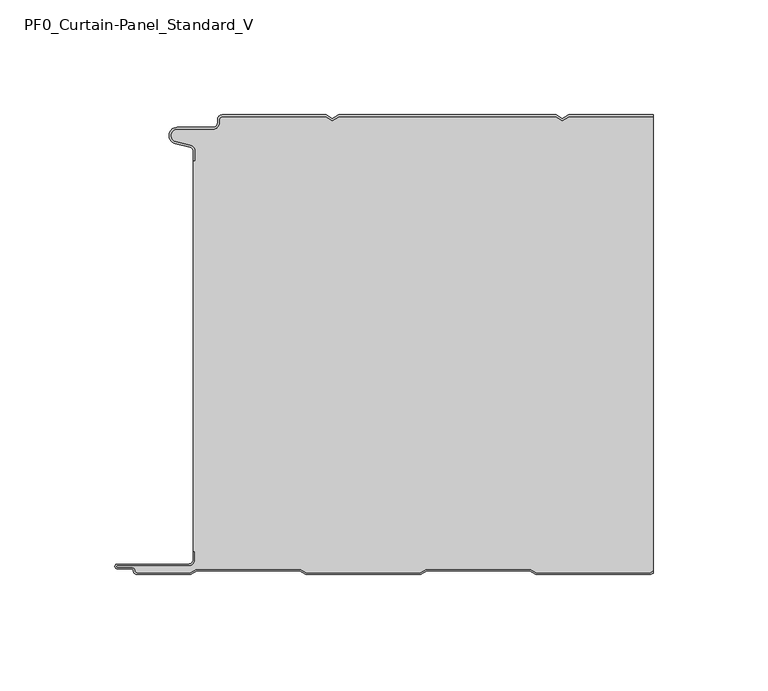
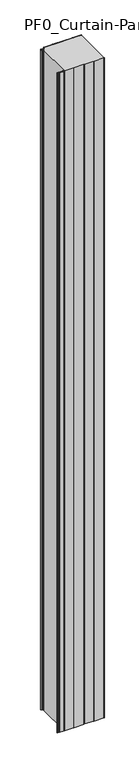
"""IFC4 building model written with IfcOpenShell, lengths in millimetres: plate geometry, PF0_Curtain-Panel_Standard_V."""

from ifc_helpers import new_model, si_unit, point, frame_2d, origin, origin_with_axes, place, context, project, spatial, polyline, circle_curve, trimmed, segment, composite_curve, outline, extrude, source, transform, mapped, element, save


def pf0_curtain_panel_standard_v_59ca3da9(model_context):
    return source(origin(), model_context, "Body", "SweptSolid", [
        extrude(outline(composite_curve([segment(trimmed(circle_curve(frame_2d((-102.0, -15.878557)), 2.0), [point((-100.0, -15.878557))], [point((-101.5500978, -13.9298169))], True, "CARTESIAN"), True, "CONTINUOUS"), segment(polyline([(-101.5500978, -13.9298169), (-107.7098239, -12.507732)]), True, "CONTINUOUS"), segment(trimmed(circle_curve(frame_2d((-106.9, -9.0)), 3.6), [point((-107.7098239, -12.507732))], [point((-106.9, -5.4))], False, "CARTESIAN"), True, "CONTINUOUS"), segment(polyline([(-106.9, -5.4), (-91.4, -5.4)]), True, "CONTINUOUS"), segment(trimmed(circle_curve(frame_2d((-91.4, -3.4)), 2.0), [point((-91.4, -5.4))], [point((-89.4, -3.4))], True, "CARTESIAN"), True, "CONTINUOUS"), segment(polyline([(-89.4, -3.4), (-89.4, -2.0)]), True, "CONTINUOUS"), segment(trimmed(circle_curve(frame_2d((-87.4, -2.0)), 2.0), [point((-89.4, -2.0))], [point((-87.4, 0.0))], False, "CARTESIAN"), True, "CONTINUOUS"), segment(polyline([(-87.4, 0.0), (-42.0999995, 0.0), (-39.4, -1.5588455), (-36.7000005, 0.0), (57.9000005, 0.0), (60.6, -1.5588455), (63.2999995, 0.0), (100.0, 0.0), (100.0, -0.8), (63.5143588, -0.8), (60.6, -2.482606), (57.6856412, -0.8), (-36.4856412, -0.8), (-39.4, -2.482606), (-42.3143588, -0.8), (-87.4, -0.8)]), True, "CONTINUOUS"), segment(trimmed(circle_curve(frame_2d((-87.4, -2.0)), 1.2), [point((-87.4, -0.8))], [point((-88.6, -2.0))], True, "CARTESIAN"), True, "CONTINUOUS"), segment(polyline([(-88.6, -2.0), (-88.6, -3.4)]), True, "CONTINUOUS"), segment(trimmed(circle_curve(frame_2d((-91.4, -3.4)), 2.8), [point((-88.6, -3.4))], [point((-91.4, -6.2))], False, "CARTESIAN"), True, "CONTINUOUS"), segment(polyline([(-91.4, -6.2), (-106.9, -6.2)]), True, "CONTINUOUS"), segment(trimmed(circle_curve(frame_2d((-106.9, -9.0)), 2.8), [point((-106.9, -6.2))], [point((-107.529863, -11.7282362))], True, "CARTESIAN"), True, "CONTINUOUS"), segment(polyline([(-107.529863, -11.7282362), (-101.370137, -13.150321)]), True, "CONTINUOUS"), segment(trimmed(circle_curve(frame_2d((-102.0, -15.878557)), 2.8), [point((-101.370137, -13.150321))], [point((-99.2, -15.878557))], False, "CARTESIAN"), True, "CONTINUOUS"), segment(polyline([(-99.2, -15.878557), (-99.2, -20.0), (-100.0, -20.0), (-100.0, -15.878557)]), True, "CONTINUOUS")], self_intersect=False)), origin_with_axes(), (0.0, 0.0, 1.0), 3500.0),
        extrude(outline(composite_curve([segment(polyline([(-99.2, -190.0), (-100.0, -190.0), (-100.0, -20.0), (-99.2, -20.0), (-99.2, -15.878557)]), True, "CONTINUOUS"), segment(trimmed(circle_curve(frame_2d((-102.0, -15.878557)), 2.8), [point((-99.2, -15.878557))], [point((-101.370137, -13.1503208))], True, "CARTESIAN"), True, "CONTINUOUS"), segment(polyline([(-101.370137, -13.1503208), (-107.529863, -11.7282362)]), True, "CONTINUOUS"), segment(trimmed(circle_curve(frame_2d((-106.9, -9.0)), 2.8), [point((-107.529863, -11.7282362))], [point((-106.9, -6.2))], False, "CARTESIAN"), True, "CONTINUOUS"), segment(polyline([(-106.9, -6.2), (-91.4, -6.2)]), True, "CONTINUOUS"), segment(trimmed(circle_curve(frame_2d((-91.4, -3.4)), 2.8), [point((-91.4, -6.2))], [point((-88.6, -3.4))], True, "CARTESIAN"), True, "CONTINUOUS"), segment(polyline([(-88.6, -3.4), (-88.6, -2.0)]), True, "CONTINUOUS"), segment(trimmed(circle_curve(frame_2d((-87.4, -2.0)), 1.2), [point((-88.6, -2.0))], [point((-87.4, -0.8))], False, "CARTESIAN"), True, "CONTINUOUS"), segment(polyline([(-87.4, -0.8), (-42.3143588, -0.8), (-39.4, -2.482606), (-36.4856412, -0.8), (57.6856412, -0.8), (60.6, -2.482606), (63.5143588, -0.8), (100.0, -0.8), (100.0, -198.5016287), (98.7903848, -199.2), (49.2152562, -199.2), (46.6171786, -197.7), (1.3884624, -197.7), (-1.2096152, -199.2), (-50.7847438, -199.2), (-53.3828214, -197.7), (-98.6115376, -197.7), (-101.2096152, -199.2), (-124.4, -199.2)]), True, "CONTINUOUS"), segment(trimmed(circle_curve(frame_2d((-124.4, -198.4)), 0.8), [point((-124.4, -199.2))], [point((-125.2, -198.4))], False, "CARTESIAN"), True, "CONTINUOUS"), segment(trimmed(circle_curve(frame_2d((-126.9, -198.6133333)), 1.7133333), [point((-125.2, -198.4))], [point((-126.9, -196.9))], True, "CARTESIAN"), True, "CONTINUOUS"), segment(polyline([(-126.9, -196.9), (-132.8700312, -196.9)]), True, "CONTINUOUS"), segment(trimmed(circle_curve(frame_2d((-132.8700312, -196.6)), 0.3), [point((-132.8700312, -196.9))], [point((-132.8700312, -196.3))], False, "CARTESIAN"), True, "CONTINUOUS"), segment(polyline([(-132.8700312, -196.3), (-102.0, -196.3)]), True, "CONTINUOUS"), segment(trimmed(circle_curve(frame_2d((-102.0, -193.5)), 2.8), [point((-102.0, -196.3))], [point((-99.2, -193.5))], True, "CARTESIAN"), True, "CONTINUOUS"), segment(polyline([(-99.2, -193.5), (-99.2, -190.0)]), True, "CONTINUOUS")], self_intersect=False)), origin_with_axes(), (0.0, 0.0, 1.0), 3500.0),
        extrude(outline(composite_curve([segment(polyline([(-100.0, -190.0), (-99.2, -190.0), (-99.2, -193.5)]), True, "CONTINUOUS"), segment(trimmed(circle_curve(frame_2d((-102.0, -193.5)), 2.8), [point((-99.2, -193.5))], [point((-102.0, -196.3))], False, "CARTESIAN"), True, "CONTINUOUS"), segment(polyline([(-102.0, -196.3), (-132.8700312, -196.3)]), True, "CONTINUOUS"), segment(trimmed(circle_curve(frame_2d((-132.8700312, -196.6)), 0.3), [point((-132.8700312, -196.3))], [point((-132.8700312, -196.9))], True, "CARTESIAN"), True, "CONTINUOUS"), segment(polyline([(-132.8700312, -196.9), (-126.9, -196.9)]), True, "CONTINUOUS"), segment(trimmed(circle_curve(frame_2d((-126.9, -198.6133333)), 1.7133333), [point((-126.9, -196.9))], [point((-125.2, -198.4))], False, "CARTESIAN"), True, "CONTINUOUS"), segment(trimmed(circle_curve(frame_2d((-124.4, -198.4)), 0.8), [point((-125.2, -198.4))], [point((-124.4, -199.2))], True, "CARTESIAN"), True, "CONTINUOUS"), segment(polyline([(-124.4, -199.2), (-101.2096152, -199.2), (-98.6115376, -197.7), (-53.3828214, -197.7), (-50.7847438, -199.2), (-1.2096152, -199.2), (1.3884624, -197.7), (46.6171786, -197.7), (49.2152562, -199.2), (98.7903848, -199.2), (100.0, -198.5016287), (100.0, -199.425389), (99.0047441, -200.0), (49.0008969, -200.0), (46.4028193, -198.5), (1.6028217, -198.5), (-0.9952559, -200.0), (-50.9991031, -200.0), (-53.5971807, -198.5), (-98.3971783, -198.5), (-100.9952559, -200.0), (-124.4, -200.0)]), True, "CONTINUOUS"), segment(trimmed(circle_curve(frame_2d((-124.4, -198.4)), 1.6), [point((-124.4, -200.0))], [point((-126.0, -198.4))], False, "CARTESIAN"), True, "CONTINUOUS"), segment(trimmed(circle_curve(frame_2d((-126.9, -198.4)), 0.9), [point((-126.0, -198.4))], [point((-126.9, -197.5))], True, "CARTESIAN"), True, "CONTINUOUS"), segment(polyline([(-126.9, -197.5), (-133.0, -197.5)]), True, "CONTINUOUS"), segment(trimmed(circle_curve(frame_2d((-133.0, -196.5)), 1.0), [point((-133.0, -197.5))], [point((-133.0, -195.5))], False, "CARTESIAN"), True, "CONTINUOUS"), segment(polyline([(-133.0, -195.5), (-102.0, -195.5)]), True, "CONTINUOUS"), segment(trimmed(circle_curve(frame_2d((-102.0, -193.5)), 2.0), [point((-102.0, -195.5))], [point((-100.0, -193.5))], True, "CARTESIAN"), True, "CONTINUOUS"), segment(polyline([(-100.0, -193.5), (-100.0, -190.0)]), True, "CONTINUOUS")], self_intersect=False)), origin_with_axes(), (0.0, 0.0, 1.0), 3500.0),
    ])


if __name__ == "__main__":
    model = new_model("IFC4")
    model_context = context("Model", 3, world=origin())
    ifc_project = project(units=[si_unit("LENGTHUNIT", "METRE", prefix="MILLI")], contexts=[model_context])
    site = spatial("IfcSite", under=ifc_project)
    building = spatial("IfcBuilding", under=site)
    placement = place(None, origin())
    pf0_curtain_panel_standard_v_shape = pf0_curtain_panel_standard_v_59ca3da9(model_context)
    element("IfcPlate", 1, ObjectType="PF0_Curtain-Panel_Standard_V", at=placement, inside=building, context=model_context, shape_type="MappedRepresentation", body=[
        mapped(pf0_curtain_panel_standard_v_shape, transform((0.0, 0.0, 0.0), x_axis=(1.0, 0.0, 0.0), y_axis=(0.0, 1.0, 0.0), z_axis=(0.0, 0.0, 1.0))),
    ])
    save(model, "model.ifc")
